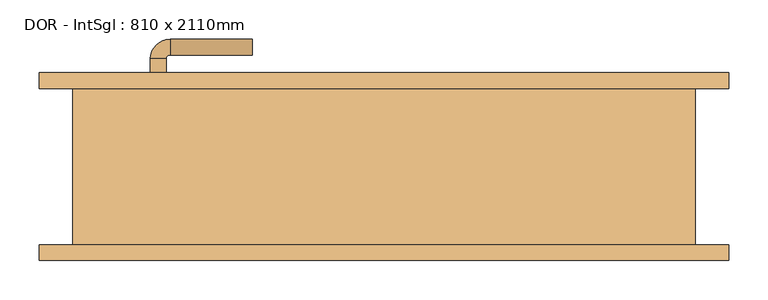
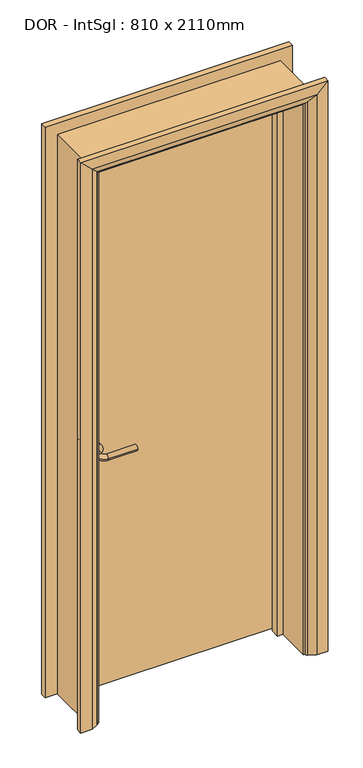
"""IFC4 building model written with IfcOpenShell, lengths in millimetres: door geometry, DOR - IntSgl : 810 x 2110mm."""

import ifcopenshell
import ifcopenshell.guid

model = None  # the IFC model being written
_history = None  # IfcOwnerHistory: only IFC2X3 demands one
_inside = {}  # id of a spatial element -> (the spatial element, [elements in it])
_under = {}  # id of a project, library or spatial element -> (it, [spatial elements below it])
_declared = {}  # id of a project -> (the project, [libraries it declares])
_typed = {}  # id of a type object -> (the type object, [elements of that type])
_made_of = {}  # id of a material, layer set ... -> (it, [elements and type objects made of it])


def new_model(schema):
    """Start an empty IFC model of exactly this schema.

    Asked for "IFC4X3", IfcOpenShell would pick the latest addendum, in which some entities
    have other attributes; the version numbers below select the first issue.
    IFC2X3 requires an IfcOwnerHistory on every rooted entity: one is made here for all.
    """
    global model, _history
    if schema == "IFC4X3":
        model = ifcopenshell.file(schema_version=(4, 3, 0, 0))
    else:
        model = ifcopenshell.file(schema=schema)
    _inside.clear()
    _under.clear()
    _declared.clear()
    _typed.clear()
    _made_of.clear()
    _history = None
    if model.schema == "IFC2X3":
        org = make("IfcOrganization", Name="unknown")
        user = make(
            "IfcPersonAndOrganization",
            ThePerson=make("IfcPerson", FamilyName="unknown"),
            TheOrganization=org,
        )
        app = make(
            "IfcApplication",
            ApplicationDeveloper=org,
            Version="unknown",
            ApplicationFullName="unknown",
            ApplicationIdentifier="unknown",
        )
        _history = make(
            "IfcOwnerHistory",
            OwningUser=user,
            OwningApplication=app,
            ChangeAction="ADDED",
            CreationDate=0,
        )
    return model


def make(cls, **values):
    """One entity of the class cls with the attributes given. An attribute that is None is left unset."""
    return model.create_entity(
        cls, **{name: value for name, value in values.items() if value is not None}
    )


def rooted(cls, **values):
    """An entity with a GlobalId (a new one), such as an element, a storey or a relation."""
    return make(cls, GlobalId=ifcopenshell.guid.new(), OwnerHistory=_history, **values)


def si_unit(unit_type, name, prefix=None):
    """IfcSIUnit, for example si_unit("LENGTHUNIT", "METRE", prefix="MILLI")."""
    return make("IfcSIUnit", UnitType=unit_type, Prefix=prefix, Name=name)


def assignment(units):
    """IfcUnitAssignment: the units of a project."""
    return None if units is None else make("IfcUnitAssignment", Units=units)


def point(xyz):
    """IfcCartesianPoint."""
    return None if xyz is None else make("IfcCartesianPoint", Coordinates=xyz)


def direction(xyz):
    """IfcDirection."""
    return None if xyz is None else make("IfcDirection", DirectionRatios=xyz)


def frame(location, z_axis=None, x_axis=None):
    """IfcAxis2Placement3D, a coordinate frame: its origin and axes. An axis left out is left unset."""
    return make(
        "IfcAxis2Placement3D",
        Location=point(location),
        Axis=direction(z_axis),
        RefDirection=direction(x_axis),
    )


def frame_2d(location, x_axis=None):
    """IfcAxis2Placement2D, a coordinate frame in the plane: its origin and x axis."""
    return make(
        "IfcAxis2Placement2D", Location=point(location), RefDirection=direction(x_axis)
    )


def origin():
    """The frame at (0, 0, 0) with its axes left unset."""
    return frame((0.0, 0.0, 0.0))


def place(relative_to, where):
    """IfcLocalPlacement: puts the frame where relative to a parent placement (None: the world)."""
    return make(
        "IfcLocalPlacement", PlacementRelTo=relative_to, RelativePlacement=where
    )


def context(
    kind, dimensions, precision=None, world=None, true_north=None, identifier=None
):
    """IfcGeometricRepresentationContext, for example the 3D "Model" context."""
    return make(
        "IfcGeometricRepresentationContext",
        ContextIdentifier=identifier,
        ContextType=kind,
        CoordinateSpaceDimension=dimensions,
        Precision=precision,
        WorldCoordinateSystem=world,
        TrueNorth=true_north,
    )


def project(units=None, contexts=None):
    """IfcProject with its units and contexts."""
    return rooted(
        "IfcProject",
        Name="project",
        RepresentationContexts=contexts,
        UnitsInContext=assignment(units),
    )


def spatial(cls, under=None, at=None, **own):
    """A site, building, storey or space (cls), placed at a placement, below another one or the project."""
    s = rooted(cls, ObjectPlacement=at, **own)
    if under is not None:
        _under.setdefault(under.id(), (under, []))[1].append(s)
    return s


def polyline(points):
    """IfcPolyline through the points."""
    return make("IfcPolyline", Points=[point(p) for p in points])


def circle_curve(where, radius):
    """IfcCircle in the frame where."""
    return make("IfcCircle", Position=where, Radius=radius)


def ellipse_curve(where, semi_axis1, semi_axis2):
    """IfcEllipse in the frame where."""
    return make(
        "IfcEllipse", Position=where, SemiAxis1=semi_axis1, SemiAxis2=semi_axis2
    )


def trimmed(basis, trim1, trim2, sense, master):
    """IfcTrimmedCurve: the piece of a basis curve between two trims."""
    return make(
        "IfcTrimmedCurve",
        BasisCurve=basis,
        Trim1=trim1,
        Trim2=trim2,
        SenseAgreement=sense,
        MasterRepresentation=master,
    )


def segment(curve, same_sense, transition):
    """IfcCompositeCurveSegment."""
    return make(
        "IfcCompositeCurveSegment",
        Transition=transition,
        SameSense=same_sense,
        ParentCurve=curve,
    )


def composite_curve(segments, self_intersect=None):
    """IfcCompositeCurve: segments joined end to end."""
    return make("IfcCompositeCurve", Segments=segments, SelfIntersect=self_intersect)


def outline(outer, holes=None, kind="AREA"):
    """IfcArbitraryClosedProfileDef: a profile drawn as a closed curve; with holes, ...WithVoids."""
    if holes is None:
        return make("IfcArbitraryClosedProfileDef", ProfileType=kind, OuterCurve=outer)
    return make(
        "IfcArbitraryProfileDefWithVoids",
        ProfileType=kind,
        OuterCurve=outer,
        InnerCurves=holes,
    )


def extrude(swept, where, along, depth):
    """IfcExtrudedAreaSolid: the profile swept, set in the frame where, extruded along a direction by depth."""
    return make(
        "IfcExtrudedAreaSolid",
        SweptArea=swept,
        Position=where,
        ExtrudedDirection=direction(along),
        Depth=depth,
    )


def faces_of(points, faces, orient=None, outer=None):
    """IfcFace entities. A face is a list of loops; a loop is a list of indices into points, from 0.

    orient and outer hold one flag for each loop. By default every Orientation is true, the
    first loop of a face is its IfcFaceOuterBound and the others are IfcFaceBound.
    """
    made = []
    for i, loops in enumerate(faces):
        bounds = []
        for j, loop in enumerate(loops):
            is_outer = j == 0 if outer is None else outer[i][j]
            bounds.append(
                make(
                    "IfcFaceOuterBound" if is_outer else "IfcFaceBound",
                    Bound=make("IfcPolyLoop", Polygon=[points[k] for k in loop]),
                    Orientation=True if orient is None else orient[i][j],
                )
            )
        made.append(make("IfcFace", Bounds=bounds))
    return made


def faceted_brep(points, faces, orient=None, outer=None, voids=None):
    """IfcFacetedBrep: a solid bounded by flat faces; with voids (closed shells), ...WithVoids."""
    shared = [point(p) for p in points]
    hull = make("IfcClosedShell", CfsFaces=faces_of(shared, faces, orient, outer))
    if voids is None:
        return make("IfcFacetedBrep", Outer=hull)
    return make(
        "IfcFacetedBrepWithVoids",
        Outer=hull,
        Voids=[
            make(cls, CfsFaces=faces_of(shared, fs, o, b)) for cls, fs, o, b in voids
        ],
    )


def shape(context_of_items, identifier, shape_type, items):
    """IfcShapeRepresentation: the items that make up one representation, for example the "Body"."""
    return make(
        "IfcShapeRepresentation",
        ContextOfItems=context_of_items,
        RepresentationIdentifier=identifier,
        RepresentationType=shape_type,
        Items=items,
    )


def source(mapping_origin, context_of_items, identifier, shape_type, items):
    """IfcRepresentationMap: a shape defined once, which mapped items show again and again."""
    return make(
        "IfcRepresentationMap",
        MappingOrigin=mapping_origin,
        MappedRepresentation=shape(context_of_items, identifier, shape_type, items),
    )


def transform(
    local_origin,
    x_axis=None,
    y_axis=None,
    z_axis=None,
    scale=None,
    scale2=None,
    scale3=None,
    uniform=True,
):
    """IfcCartesianTransformationOperator3D, or its non-uniform kind. x_axis, y_axis, z_axis: its Axis1, 2, 3."""
    if uniform:
        return make(
            "IfcCartesianTransformationOperator3D",
            Axis1=direction(x_axis),
            Axis2=direction(y_axis),
            LocalOrigin=point(local_origin),
            Scale=scale,
            Axis3=direction(z_axis),
        )
    return make(
        "IfcCartesianTransformationOperator3DnonUniform",
        Axis1=direction(x_axis),
        Axis2=direction(y_axis),
        LocalOrigin=point(local_origin),
        Scale=scale,
        Axis3=direction(z_axis),
        Scale2=scale2,
        Scale3=scale3,
    )


def mapped(mapping_source, mapping_target):
    """IfcMappedItem: shows the shape of a source again, moved by a transform."""
    return make(
        "IfcMappedItem", MappingSource=mapping_source, MappingTarget=mapping_target
    )


def made_of(thing, what):
    """Note that an element or type object is made of a material, layer set ...; save() writes the relation."""
    if what is not None:
        _made_of.setdefault(what.id(), (what, []))[1].append(thing)
    return thing


def element(
    cls,
    number,
    at=None,
    inside=None,
    cuts=None,
    type_object=None,
    material=None,
    context=None,
    identifier="Body",
    shape_type=None,
    held_by="IfcProductDefinitionShape",
    body=None,
    shapes=None,
    **own,
):
    """One element of the class cls, such as IfcWall. Its Tag is "e" and its number.

    at: its placement. inside: the storey or other place that contains it. cuts: it is an
    opening in that element (IfcRelVoidsElement). A single representation is given by context,
    identifier, shape_type and body (its items); several are given by shapes. held_by: the class
    of the entity that holds the representations. save() writes the other relations.
    """
    e = rooted(cls, Tag="e%d" % number, ObjectPlacement=at, **own)
    if body is not None:
        shapes = [shape(context, identifier, shape_type, body)]
    if shapes is not None:
        e.Representation = make(held_by, Representations=shapes)
    if inside is not None:
        _inside.setdefault(inside.id(), (inside, []))[1].append(e)
    if cuts is not None:
        rooted(
            "IfcRelVoidsElement", RelatingBuildingElement=cuts, RelatedOpeningElement=e
        )
    if type_object is not None:
        _typed.setdefault(type_object.id(), (type_object, []))[1].append(e)
    return made_of(e, material)


def aggregate(whole, parts):
    """IfcRelAggregates: a whole, such as a stair, and the parts it consists of."""
    return rooted("IfcRelAggregates", RelatingObject=whole, RelatedObjects=parts)


def save(model, path):
    """Write the relations noted so far, then the file.

    IfcRelAggregates (storeys below a building ...), IfcRelContainedInSpatialStructure (elements
    in a storey), IfcRelDefinesByType, IfcRelAssociatesMaterial and IfcRelDeclares: one each for
    every whole, place, type object, material and project.
    """
    for whole, parts in _under.values():
        aggregate(whole, parts)
    for where, things in _inside.values():
        rooted(
            "IfcRelContainedInSpatialStructure",
            RelatedElements=things,
            RelatingStructure=where,
        )
    for kind, things in _typed.values():
        rooted("IfcRelDefinesByType", RelatedObjects=things, RelatingType=kind)
    for what, things in _made_of.values():
        rooted("IfcRelAssociatesMaterial", RelatedObjects=things, RelatingMaterial=what)
    for by, libraries in _declared.values():
        rooted("IfcRelDeclares", RelatingContext=by, RelatedDefinitions=libraries)
    model.write(path)


def plane_surface(at):
    """IfcPlane: the flat surface through the origin of the frame at, square to its z axis."""
    return make("IfcPlane", Position=at)


def cylinder_surface(at, radius):
    """IfcCylindricalSurface: all points at the distance radius from the z axis of the frame at."""
    return make("IfcCylindricalSurface", Position=at, Radius=radius)


def revolved_surface(curve, axis_point, axis_direction):
    """IfcSurfaceOfRevolution: the curve turned about the line through axis_point along axis_direction."""
    return make(
        "IfcSurfaceOfRevolution",
        SweptCurve=make("IfcArbitraryOpenProfileDef", ProfileType="CURVE", Curve=curve),
        AxisPosition=make("IfcAxis1Placement", Location=point(axis_point), Axis=direction(axis_direction)),
    )


def advanced_brep(points, edges, surfaces, faces):
    """IfcAdvancedBrep: a solid bounded by faces that lie on surfaces and meet in shared edges.

    An edge is (start, end): straight between two places in points (the first is 0);
    or (start, end, curve); or (start, end, curve, False) where it runs against its curve.
    A face is (place in surfaces, loops), or (place, loops, False) where it looks against
    its surface's normal. A loop lists edges by number (the first is 1), with a minus sign
    where the edge is run from its end to its start. The first loop is the outer one.
    """
    corners = [point(p) for p in points]
    vertices = [make("IfcVertexPoint", VertexGeometry=c) for c in corners]
    made = []
    for start, end, *more in edges:
        made.append(
            make(
                "IfcEdgeCurve",
                EdgeStart=vertices[start],
                EdgeEnd=vertices[end],
                EdgeGeometry=more[0] if more else make("IfcPolyline", Points=[corners[start], corners[end]]),
                SameSense=more[1] if len(more) > 1 else True,
            )
        )
    hull = []
    for where, loops, *sense in faces:
        bounds = []
        for j, loop in enumerate(loops):
            ring = [make("IfcOrientedEdge", EdgeElement=made[abs(k) - 1], Orientation=k > 0) for k in loop]
            bounds.append(
                make(
                    "IfcFaceOuterBound" if j == 0 else "IfcFaceBound",
                    Bound=make("IfcEdgeLoop", EdgeList=ring),
                    Orientation=True,
                )
            )
        hull.append(make("IfcAdvancedFace", Bounds=bounds, FaceSurface=surfaces[where], SameSense=sense[0] if sense else True))
    return make("IfcAdvancedBrep", Outer=make("IfcClosedShell", CfsFaces=hull))


def dor_intsgl_810_x_2110mm_e568eb51(model_context):
    return source(origin(), model_context, "Body", "SolidModel", [
        advanced_brep(
        [(-298.0, 54.0, 900.0), (-278.0, 54.0, 900.0), (-278.0, 24.0, 900.0), (-298.0, 24.0, 900.0), (-273.0, 19.0, 900.0), (-273.0, -1.0, 900.0), (-168.0, -1.0, 900.0), (-168.0, 19.0, 900.0)],
        [
            (0, 1, circle_curve(frame((-288.0, 54.0, 900.0), z_axis=(0.0, 1.0, 0.0), x_axis=(1.0, 0.0, 0.0)), 10.0)),
            (1, 0, circle_curve(frame((-288.0, 54.0, 900.0), z_axis=(0.0, 1.0, 0.0), x_axis=(1.0, 0.0, 0.0)), 10.0)),
            (1, 2),
            (2, 3, circle_curve(frame((-288.0, 24.0, 900.0), z_axis=(0.0, 1.0, 0.0), x_axis=(1.0, 0.0, 0.0)), 10.0)),
            (3, 0),
            (3, 2, circle_curve(frame((-288.0, 24.0, 900.0), z_axis=(0.0, 1.0, 0.0), x_axis=(1.0, 0.0, 0.0)), 10.0)),
            (4, 5, circle_curve(frame((-273.0, 9.0, 900.0), z_axis=(-1.0, 0.0, 0.0), x_axis=(0.0, 1.0, 0.0)), 10.0)),
            (5, 3, circle_curve(frame((-273.0, 24.0, 900.0), z_axis=(0.0, 0.0, -1.0), x_axis=(-1.0, 0.0, 0.0)), 25.0)),
            (2, 4, circle_curve(frame((-273.0, 24.0, 900.0), z_axis=(0.0, 0.0, 1.0), x_axis=(-1.0, 0.0, 0.0)), 5.0)),
            (5, 4, circle_curve(frame((-273.0, 9.0, 900.0), z_axis=(-1.0, 0.0, 0.0), x_axis=(0.0, 1.0, 0.0)), 10.0)),
            (6, 7, circle_curve(frame((-168.0, 9.0, 900.0), z_axis=(1.0, 0.0, 0.0), x_axis=(0.0, 1.0, 0.0)), 10.0)),
            (7, 6, circle_curve(frame((-168.0, 9.0, 900.0), z_axis=(1.0, 0.0, 0.0), x_axis=(0.0, 1.0, 0.0)), 10.0)),
            (4, 7),
            (6, 5),
        ],
        [
            plane_surface(frame((-288.0, 54.0, 900.0), z_axis=(0.0, 1.0, 0.0), x_axis=(0.0, 0.0, 1.0))),
            cylinder_surface(frame((-288.0, 54.0, 900.0), z_axis=(0.0, 1.0, 0.0), x_axis=(1.0, 0.0, 0.0)), 10.0),
            revolved_surface(trimmed(ellipse_curve(frame((-288.0, 24.0, 900.0), z_axis=(0.0, -1.0, 0.0), x_axis=(1.0, 0.0, 0.0)), 10.0, 10.0), [point((-298.0, 24.0, 900.0))], [point((-278.0, 24.0, 900.0))], True, "CARTESIAN"), (-273.0, 24.0, 900.0), (0.0, 0.0, -1.0)),
            revolved_surface(trimmed(ellipse_curve(frame((-288.0, 24.0, 900.0), z_axis=(0.0, -1.0, 0.0), x_axis=(1.0, 0.0, 0.0)), 10.0, 10.0), [point((-278.0, 24.0, 900.0))], [point((-298.0, 24.0, 900.0))], True, "CARTESIAN"), (-273.0, 24.0, 900.0), (0.0, 0.0, -1.0)),
            plane_surface(frame((-168.0, 9.0, 900.0), z_axis=(1.0, 0.0, 0.0), x_axis=(0.0, 0.0, 1.0))),
            cylinder_surface(frame((-273.0, 9.0, 900.0), z_axis=(-1.0, 0.0, 0.0), x_axis=(0.0, 1.0, 0.0)), 10.0),
        ],
        [
            (0, [[1, 2]]),
            (1, [[3, 4, 5, -2]]),
            (1, [[-5, 6, -3, -1]]),
            (2, [[7, 8, -4, 9]]),
            (3, [[10, -9, -6, -8]]),
            (4, [[11, 12]]),
            (5, [[13, -11, 14, -7]]),
            (5, [[-14, -12, -13, -10]]),
        ],
    ),
        extrude(outline(composite_curve([segment(trimmed(circle_curve(frame_2d((900.0, -290.5)), 30.0), [point((900.0, -320.5))], [point((900.0, -260.5))], False, "CARTESIAN"), True, "CONTINUOUS"), segment(trimmed(circle_curve(frame_2d((900.0, -290.5)), 30.0), [point((900.0, -260.5))], [point((900.0, -320.5))], False, "CARTESIAN"), True, "CONTINUOUS")], self_intersect=False)), frame((0.0, 54.0, 0.0), z_axis=(0.0, 1.0, 0.0), x_axis=(0.0, 0.0, 1.0)), (0.0, 0.0, 1.0), 8.0),
        advanced_brep(
        [(-298.0, 108.0, 900.0), (-278.0, 108.0, 900.0), (-298.0, 138.0, 900.0), (-278.0, 138.0, 900.0), (-273.0, 143.0, 900.0), (-273.0, 163.0, 900.0), (-168.0, 163.0, 900.0), (-168.0, 143.0, 900.0)],
        [
            (0, 1, circle_curve(frame((-288.0, 108.0, 900.0), z_axis=(0.0, -1.0, 0.0), x_axis=(1.0, 0.0, 0.0)), 10.0)),
            (1, 0, circle_curve(frame((-288.0, 108.0, 900.0), z_axis=(0.0, -1.0, 0.0), x_axis=(1.0, 0.0, 0.0)), 10.0)),
            (0, 2),
            (2, 3, circle_curve(frame((-288.0, 138.0, 900.0), z_axis=(0.0, -1.0, 0.0), x_axis=(1.0, 0.0, 0.0)), 10.0)),
            (3, 1),
            (3, 2, circle_curve(frame((-288.0, 138.0, 900.0), z_axis=(0.0, -1.0, 0.0), x_axis=(1.0, 0.0, 0.0)), 10.0)),
            (4, 3, circle_curve(frame((-273.0, 138.0, 900.0), z_axis=(0.0, 0.0, 1.0), x_axis=(-1.0, 0.0, 0.0)), 5.0)),
            (2, 5, circle_curve(frame((-273.0, 138.0, 900.0), z_axis=(0.0, 0.0, -1.0), x_axis=(-1.0, 0.0, 0.0)), 25.0)),
            (5, 4, circle_curve(frame((-273.0, 153.0, 900.0), z_axis=(-1.0, 0.0, 0.0), x_axis=(0.0, -1.0, 0.0)), 10.0)),
            (4, 5, circle_curve(frame((-273.0, 153.0, 900.0), z_axis=(-1.0, 0.0, 0.0), x_axis=(0.0, -1.0, 0.0)), 10.0)),
            (6, 7, circle_curve(frame((-168.0, 153.0, 900.0), z_axis=(1.0, 0.0, 0.0), x_axis=(0.0, -1.0, 0.0)), 10.0)),
            (7, 6, circle_curve(frame((-168.0, 153.0, 900.0), z_axis=(1.0, 0.0, 0.0), x_axis=(0.0, -1.0, 0.0)), 10.0)),
            (5, 6),
            (7, 4),
        ],
        [
            plane_surface(frame((-288.0, 108.0, 900.0), z_axis=(0.0, -1.0, 0.0), x_axis=(0.0, 0.0, 1.0))),
            cylinder_surface(frame((-288.0, 108.0, 900.0), z_axis=(0.0, -1.0, 0.0), x_axis=(1.0, 0.0, 0.0)), 10.0),
            revolved_surface(trimmed(ellipse_curve(frame((-288.0, 138.0, 900.0), z_axis=(0.0, -1.0, 0.0), x_axis=(1.0, 0.0, 0.0)), 10.0, 10.0), [point((-298.0, 138.0, 900.0))], [point((-278.0, 138.0, 900.0))], True, "CARTESIAN"), (-273.0, 138.0, 900.0), (0.0, 0.0, -1.0)),
            revolved_surface(trimmed(ellipse_curve(frame((-288.0, 138.0, 900.0), z_axis=(0.0, -1.0, 0.0), x_axis=(1.0, 0.0, 0.0)), 10.0, 10.0), [point((-278.0, 138.0, 900.0))], [point((-298.0, 138.0, 900.0))], True, "CARTESIAN"), (-273.0, 138.0, 900.0), (0.0, 0.0, -1.0)),
            plane_surface(frame((-168.0, 153.0, 900.0), z_axis=(1.0, 0.0, 0.0), x_axis=(0.0, 0.0, 1.0))),
            cylinder_surface(frame((-273.0, 153.0, 900.0), z_axis=(-1.0, 0.0, 0.0), x_axis=(0.0, -1.0, 0.0)), 10.0),
        ],
        [
            (0, [[1, 2]]),
            (1, [[-1, 3, 4, 5]]),
            (1, [[-2, -5, 6, -3]]),
            (2, [[7, -4, 8, 9]]),
            (3, [[-8, -6, -7, 10]]),
            (4, [[11, 12]]),
            (5, [[-9, 13, -12, 14]]),
            (5, [[-10, -14, -11, -13]]),
        ],
    ),
        extrude(outline(composite_curve([segment(trimmed(circle_curve(frame_2d((900.0, -290.5)), 30.0), [point((900.0, -320.5))], [point((900.0, -260.5))], False, "CARTESIAN"), True, "CONTINUOUS"), segment(trimmed(circle_curve(frame_2d((900.0, -290.5)), 30.0), [point((900.0, -260.5))], [point((900.0, -320.5))], False, "CARTESIAN"), True, "CONTINUOUS")], self_intersect=False)), frame((0.0, 100.0, 0.0), z_axis=(0.0, 1.0, 0.0), x_axis=(0.0, 0.0, 1.0)), (0.0, 0.0, 1.0), 8.0),
        extrude(outline(polyline([(363.0, 62.0), (-363.0, 62.0), (-363.0, 100.0), (363.0, 100.0), (363.0, 62.0)])), frame((0.0, 0.0, 8.0), z_axis=(0.0, 0.0, 1.0), x_axis=(1.0, 0.0, 0.0)), (0.0, 0.0, 1.0), 2060.0),
        advanced_brep(
        [(440.0, 120.0, 0.0), (440.0, 100.0, 0.0), (370.0, 100.0, 0.0), (374.0, 106.0, 0.0), (400.0, 120.0, 0.0), (440.0, 120.0, 2145.0), (440.0, 100.0, 2145.0), (-440.0, 100.0, 2145.0), (-440.0, 100.0, 0.0), (-370.0, 100.0, 0.0), (-370.0, 100.0, 2075.0), (370.0, 100.0, 2075.0), (374.0, 106.0, 2079.0), (400.0, 120.0, 2105.0), (-400.0, 120.0, 2105.0), (-400.0, 120.0, 0.0), (-440.0, 120.0, 0.0), (-440.0, 120.0, 2145.0), (-374.0, 106.0, 2079.0), (-374.0, 106.0, 0.0)],
        [
            (0, 1),
            (1, 2),
            (2, 3, circle_curve(frame((378.0, 99.0, 0.0), z_axis=(0.0, 0.0, -1.0), x_axis=(1.0, 0.0, 0.0)), 8.0622577)),
            (3, 4),
            (4, 0),
            (0, 5),
            (5, 6),
            (6, 1),
            (6, 7),
            (7, 8),
            (8, 9),
            (9, 10),
            (10, 11),
            (11, 2),
            (11, 12, ellipse_curve(frame((378.0, 99.0, 2083.0), z_axis=(0.7071067811865475, 0.0, -0.7071067811865475), x_axis=(-0.7071067811865474, 0.0, -0.7071067811865476)), 11.4017543, 8.0622577)),
            (12, 3),
            (12, 13),
            (13, 4),
            (13, 14),
            (14, 15),
            (15, 16),
            (16, 17),
            (17, 5),
            (17, 7),
            (10, 18, ellipse_curve(frame((-378.0, 99.0, 2083.0), z_axis=(0.7071067811865475, 0.0, 0.7071067811865475), x_axis=(0.7071067811865476, 0.0, -0.7071067811865474)), 11.4017543, 8.0622577)),
            (18, 12),
            (18, 14),
            (15, 19),
            (19, 9, circle_curve(frame((-378.0, 99.0, 0.0), z_axis=(0.0, 0.0, -1.0), x_axis=(-1.0, 0.0, 0.0)), 8.0622577)),
            (8, 16),
            (19, 18),
        ],
        [
            plane_surface(frame((370.0, 100.0, 0.0), z_axis=(0.0, 0.0, -1.0), x_axis=(0.0, -1.0, 0.0))),
            plane_surface(frame((440.0, 120.0, 0.0), z_axis=(1.0, 0.0, 0.0), x_axis=(0.0, 0.0, 1.0))),
            plane_surface(frame((440.0, 100.0, 0.0), z_axis=(0.0, -1.0, 0.0), x_axis=(0.0, 0.0, 1.0))),
            cylinder_surface(frame((378.0, 99.0, 0.0), z_axis=(0.0, 0.0, -1.0), x_axis=(1.0, 0.0, 0.0)), 8.0622577),
            plane_surface(frame((374.0, 106.0, 0.0), z_axis=(-0.4740998230350126, 0.880471099922178, 0.0), x_axis=(0.0, 0.0, 1.0))),
            plane_surface(frame((400.0, 120.0, 0.0), z_axis=(0.0, 1.0, 0.0), x_axis=(0.0, 0.0, 1.0))),
            plane_surface(frame((440.0, 120.0, 2145.0), z_axis=(0.0, 0.0, 1.0), x_axis=(-1.0, 0.0, 0.0))),
            cylinder_surface(frame((370.0, 99.0, 2083.0), z_axis=(1.0, 0.0, 0.0), x_axis=(0.0, 0.0, 1.0)), 8.0622577),
            plane_surface(frame((374.0, 106.0, 2079.0), z_axis=(0.0, 0.8804710999221764, -0.4740998230350154), x_axis=(-1.0, 0.0, 0.0))),
            plane_surface(frame((-370.0, 100.0, 0.0), z_axis=(0.0, 0.0, -1.0), x_axis=(0.0, -1.0, 0.0))),
            plane_surface(frame((-440.0, 120.0, 2145.0), z_axis=(-1.0, 0.0, 0.0), x_axis=(0.0, 0.0, -1.0))),
            cylinder_surface(frame((-378.0, 99.0, 2075.0), z_axis=(0.0, 0.0, 1.0), x_axis=(-1.0, 0.0, 0.0)), 8.0622577),
            plane_surface(frame((-374.0, 106.0, 2079.0), z_axis=(0.47409982303501824, 0.8804710999221749, 0.0), x_axis=(0.0, 0.0, -1.0))),
        ],
        [
            (0, [[1, 2, 3, 4, 5]]),
            (1, [[-1, 6, 7, 8]]),
            (2, [[-2, -8, 9, 10, 11, 12, 13, 14]]),
            (3, [[-3, -14, 15, 16]]),
            (4, [[-4, -16, 17, 18]]),
            (5, [[-5, -18, 19, 20, 21, 22, 23, -6]]),
            (6, [[-7, -23, 24, -9]]),
            (7, [[-15, -13, 25, 26]]),
            (8, [[-17, -26, 27, -19]]),
            (9, [[-21, 28, 29, -11, 30]]),
            (10, [[-24, -22, -30, -10]]),
            (11, [[-25, -12, -29, 31]]),
            (12, [[-27, -31, -28, -20]]),
        ],
    ),
        extrude(outline(polyline([(0.0, -365.0), (0.0, -346.0), (2051.0, -346.0), (2051.0, 346.0), (0.0, 346.0), (0.0, 365.0), (2070.0, 365.0), (2070.0, -365.0), (0.0, -365.0)])), frame((0.0, 28.0, 0.0), z_axis=(0.0, 1.0, 0.0), x_axis=(0.0, 0.0, 1.0)), (0.0, 0.0, 1.0), 32.0),
        advanced_brep(
        [(-440.0, -120.0, 0.0), (-440.0, -100.0, 0.0), (-370.0, -100.0, 0.0), (-374.0, -106.0, 0.0), (-400.0, -120.0, 0.0), (-440.0, -120.0, 2145.0), (-440.0, -100.0, 2145.0), (-370.0, -100.0, 2075.0), (-374.0, -106.0, 2079.0), (-400.0, -120.0, 2105.0), (440.0, -120.0, 2145.0), (440.0, -100.0, 2145.0), (370.0, -100.0, 2075.0), (374.0, -106.0, 2079.0), (400.0, -120.0, 2105.0), (440.0, -120.0, 0.0), (400.0, -120.0, 0.0), (374.0, -106.0, 0.0), (370.0, -100.0, 0.0), (440.0, -100.0, 0.0)],
        [
            (0, 1),
            (1, 2),
            (2, 3, circle_curve(frame((-378.0, -99.0, 0.0), z_axis=(0.0, 0.0, -1.0), x_axis=(-1.0, 0.0, 0.0)), 8.0622577)),
            (3, 4),
            (4, 0),
            (0, 5),
            (5, 6),
            (6, 1),
            (6, 7),
            (7, 2),
            (7, 8, ellipse_curve(frame((-378.0, -99.0, 2083.0), z_axis=(-0.7071067811865475, 0.0, -0.7071067811865475), x_axis=(0.7071067811865474, 0.0, -0.7071067811865476)), 11.4017543, 8.0622577)),
            (8, 3),
            (8, 9),
            (9, 4),
            (9, 5),
            (5, 10),
            (10, 11),
            (11, 6),
            (11, 12),
            (12, 7),
            (12, 13, ellipse_curve(frame((378.0, -99.0, 2083.0), z_axis=(-0.7071067811865475, 0.0, 0.7071067811865475), x_axis=(-0.7071067811865476, 0.0, -0.7071067811865474)), 11.4017543, 8.0622577)),
            (13, 8),
            (13, 14),
            (14, 9),
            (14, 10),
            (15, 16),
            (16, 17),
            (17, 18, circle_curve(frame((378.0, -99.0, 0.0), z_axis=(0.0, 0.0, -1.0), x_axis=(1.0, 0.0, 0.0)), 8.0622577)),
            (18, 19),
            (19, 15),
            (10, 15),
            (19, 11),
            (18, 12),
            (17, 13),
            (16, 14),
        ],
        [
            plane_surface(frame((-370.0, -172.8010989, 0.0), z_axis=(0.0, 0.0, -1.0), x_axis=(1.0, 0.0, 0.0))),
            plane_surface(frame((-440.0, -120.0, 0.0), z_axis=(-1.0, 0.0, 0.0), x_axis=(0.0, 0.0, 1.0))),
            plane_surface(frame((-440.0, -100.0, 0.0), z_axis=(0.0, 1.0, 0.0), x_axis=(0.0, 0.0, 1.0))),
            cylinder_surface(frame((-378.0, -99.0, 0.0), z_axis=(0.0, 0.0, -1.0), x_axis=(-1.0, 0.0, 0.0)), 8.0622577),
            plane_surface(frame((-374.0, -106.0, 0.0), z_axis=(0.4740998230350183, -0.8804710999221749, 0.0), x_axis=(0.0, 0.0, 1.0))),
            plane_surface(frame((-400.0, -120.0, 0.0), z_axis=(0.0, -1.0, 0.0), x_axis=(0.0, 0.0, 1.0))),
            plane_surface(frame((-440.0, -120.0, 2145.0), z_axis=(0.0, 0.0, 1.0), x_axis=(1.0, 0.0, 0.0))),
            plane_surface(frame((-440.0, -100.0, 2145.0), z_axis=(0.0, 1.0, 0.0), x_axis=(1.0, 0.0, 0.0))),
            cylinder_surface(frame((-370.0, -99.0, 2083.0), z_axis=(-1.0, 0.0, 0.0), x_axis=(0.0, 0.0, 1.0)), 8.0622577),
            plane_surface(frame((-374.0, -106.0, 2079.0), z_axis=(0.0, -0.8804710999221749, -0.4740998230350183), x_axis=(1.0, 0.0, 0.0))),
            plane_surface(frame((-400.0, -120.0, 2105.0), z_axis=(0.0, -1.0, 0.0), x_axis=(1.0, 0.0, 0.0))),
            plane_surface(frame((370.0, -172.8010989, 0.0), z_axis=(0.0, 0.0, -1.0), x_axis=(-1.0, 0.0, 0.0))),
            plane_surface(frame((440.0, -120.0, 2145.0), z_axis=(1.0, 0.0, 0.0), x_axis=(0.0, 0.0, -1.0))),
            plane_surface(frame((440.0, -100.0, 2145.0), z_axis=(0.0, 1.0, 0.0), x_axis=(0.0, 0.0, -1.0))),
            cylinder_surface(frame((378.0, -99.0, 2075.0), z_axis=(0.0, 0.0, 1.0), x_axis=(1.0, 0.0, 0.0)), 8.0622577),
            plane_surface(frame((374.0, -106.0, 2079.0), z_axis=(-0.4740998230350183, -0.8804710999221749, 0.0), x_axis=(0.0, 0.0, -1.0))),
            plane_surface(frame((400.0, -120.0, 2105.0), z_axis=(0.0, -1.0, 0.0), x_axis=(0.0, 0.0, -1.0))),
        ],
        [
            (0, [[1, 2, 3, 4, 5]]),
            (1, [[-1, 6, 7, 8]]),
            (2, [[-2, -8, 9, 10]]),
            (3, [[-3, -10, 11, 12]]),
            (4, [[-4, -12, 13, 14]]),
            (5, [[-5, -14, 15, -6]]),
            (6, [[-7, 16, 17, 18]]),
            (7, [[-9, -18, 19, 20]]),
            (8, [[-11, -20, 21, 22]]),
            (9, [[-13, -22, 23, 24]]),
            (10, [[-15, -24, 25, -16]]),
            (11, [[26, 27, 28, 29, 30]]),
            (12, [[-17, 31, -30, 32]]),
            (13, [[-19, -32, -29, 33]]),
            (14, [[-21, -33, -28, 34]]),
            (15, [[-23, -34, -27, 35]]),
            (16, [[-25, -35, -26, -31]]),
        ],
    ),
        faceted_brep([(-365.0, 100.0, 0.0), (-365.0, -100.0, 0.0), (-397.0, -100.0, 0.0), (-397.0, 100.0, 0.0), (-365.0, 100.0, 2070.0), (-365.0, -100.0, 2070.0), (-397.0, -100.0, 2102.0), (-397.0, 100.0, 2102.0), (365.0, 100.0, 2070.0), (365.0, -100.0, 2070.0), (397.0, -100.0, 2102.0), (397.0, 100.0, 2102.0), (365.0, 100.0, 0.0), (397.0, 100.0, 0.0), (397.0, -100.0, 0.0), (365.0, -100.0, 0.0)], [[[0, 1, 2, 3]], [[1, 0, 4, 5]], [[2, 1, 5, 6]], [[3, 2, 6, 7]], [[0, 3, 7, 4]], [[5, 4, 8, 9]], [[6, 5, 9, 10]], [[7, 6, 10, 11]], [[4, 7, 11, 8]], [[12, 13, 14, 15]], [[9, 8, 12, 15]], [[10, 9, 15, 14]], [[11, 10, 14, 13]], [[8, 11, 13, 12]]]),
    ])


if __name__ == "__main__":
    model = new_model("IFC4")
    model_context = context("Model", 3, world=origin())
    ifc_project = project(units=[si_unit("LENGTHUNIT", "METRE", prefix="MILLI")], contexts=[model_context])
    site = spatial("IfcSite", under=ifc_project)
    building = spatial("IfcBuilding", under=site)
    placement = place(None, origin())
    dor_intsgl_810_x_2110mm_shape = dor_intsgl_810_x_2110mm_e568eb51(model_context)
    element("IfcDoor", 1, ObjectType="DOR - IntSgl : 810 x 2110mm", at=placement, inside=building, context=model_context, shape_type="MappedRepresentation", body=[
        mapped(dor_intsgl_810_x_2110mm_shape, transform((0.0, 0.0, 0.0), x_axis=(1.0, 0.0, 0.0), y_axis=(0.0, 1.0, 0.0), z_axis=(0.0, 0.0, 1.0))),
    ])
    save(model, "model.ifc")
